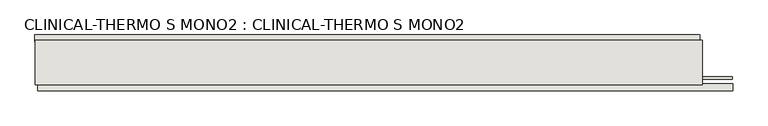
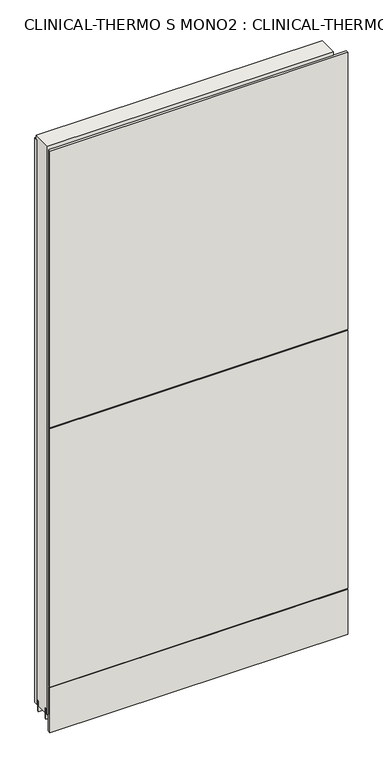
"""IFC4 building model written with IfcOpenShell, lengths in millimetres: wall geometry, CLINICAL-THERMO S MONO2 : CLINICAL-THERMO S MONO2."""

from ifc_helpers import new_model, si_unit, frame, origin, place, context, project, spatial, polyline, outline, extrude, source, transform, mapped, element, save


def clinical_thermo_s_mono2_clinical_thermo_s_mono2_562a6de3(model_context):
    return source(origin(), model_context, "Body", "SweptSolid", [
        extrude(outline(polyline([(84447.358918, -37797.5831042), (84444.818918, -37797.5831042), (84444.818918, -37795.0431042), (84447.358918, -37795.0431042), (84447.358918, -37797.5831042)])), frame((0.0, 0.0, 4419.6), z_axis=(0.0, 0.0, 1.0), x_axis=(1.0, 0.0, 0.0)), (0.0, 0.0, 1.0), 2.54),
        extrude(outline(polyline([(83227.6920914, -37745.5131042), (84442.8920994, -37745.5131042), (84442.8920994, -37758.2131042), (83227.6920914, -37758.2131042), (83227.6920914, -37745.5131042)])), frame((0.0, 0.0, 4445.0), z_axis=(0.0, 0.0, 1.0), x_axis=(1.0, 0.0, 0.0)), (0.0, 0.0, 1.0), 2545.0498756),
        extrude(outline(polyline([(84503.123094, -37847.1131042), (83232.6230188, -37847.1131042), (83232.6230188, -37834.4131042), (84503.123094, -37834.4131042), (84503.123094, -37847.1131042)])), frame((0.0, 0.0, 4573.9999706), z_axis=(0.0, 0.0, 1.0), x_axis=(1.0, 0.0, 0.0)), (0.0, 0.0, 1.0), 1164.400008),
        extrude(outline(polyline([(84503.123094, -37847.1131042), (83232.6230188, -37847.1131042), (83232.6230188, -37834.4131042), (84503.123094, -37834.4131042), (84503.123094, -37847.1131042)])), frame((0.0, 0.0, 5742.399869), z_axis=(0.0, 0.0, 1.0), x_axis=(1.0, 0.0, 0.0)), (0.0, 0.0, 1.0), 1247.649905),
        extrude(outline(polyline([(84503.123094, -37847.1131042), (83232.6230188, -37847.1131042), (83232.6230188, -37834.4131042), (84503.123094, -37834.4131042), (84503.123094, -37847.1131042)])), frame((0.0, 0.0, 4368.1000014), z_axis=(0.0, 0.0, 1.0), x_axis=(1.0, 0.0, 0.0)), (0.0, 0.0, 1.0), 201.9000026),
        extrude(outline(polyline([(84447.353965, -37771.223162), (83228.153965, -37771.223162), (83228.153965, -37766.1413078), (84447.353965, -37766.1413078), (84447.353965, -37771.223162)])), frame((0.0, 0.0, 4418.6602), z_axis=(0.0, 0.0, 1.0), x_axis=(1.0, 0.0, 0.0)), (0.0, 0.0, 1.0), 47.625),
        extrude(outline(polyline([(84447.353965, -37771.223162), (83228.153965, -37771.223162), (83228.153965, -37766.1413078), (84447.353965, -37766.1413078), (84447.353965, -37771.223162)])), frame((0.0, 0.0, 4418.6602), z_axis=(0.0, 0.0, 1.0), x_axis=(1.0, 0.0, 0.0)), (0.0, 0.0, 1.0), 47.625),
        extrude(outline(polyline([(83228.153965, -37821.3875524), (84502.6498158, -37821.3875524), (84502.6498158, -37826.4663078), (83228.153965, -37826.4663078), (83228.153965, -37821.3875524)])), frame((0.0, 0.0, 4418.6602), z_axis=(0.0, 0.0, 1.0), x_axis=(1.0, 0.0, 0.0)), (0.0, 0.0, 1.0), 47.625),
        extrude(outline(polyline([(83228.153965, -37821.3875524), (84502.6498158, -37821.3875524), (84502.6498158, -37826.4663078), (83228.153965, -37826.4663078), (83228.153965, -37821.3875524)])), frame((0.0, 0.0, 4418.6602), z_axis=(0.0, 0.0, 1.0), x_axis=(1.0, 0.0, 0.0)), (0.0, 0.0, 1.0), 47.625),
        extrude(outline(polyline([(84447.353965, -37755.676838), (84447.353965, -37836.9586922), (83228.153965, -37836.9586922), (83228.153965, -37755.676838), (84447.353965, -37755.676838)])), frame((0.0, 0.0, 4445.0), z_axis=(0.0, 0.0, 1.0), x_axis=(1.0, 0.0, 0.0)), (0.0, 0.0, 1.0), 2562.4536762),
    ])


if __name__ == "__main__":
    model = new_model("IFC4")
    model_context = context("Model", 3, world=origin())
    ifc_project = project(units=[si_unit("LENGTHUNIT", "METRE", prefix="MILLI")], contexts=[model_context])
    site = spatial("IfcSite", under=ifc_project)
    building = spatial("IfcBuilding", under=site)
    placement = place(None, origin())
    clinical_thermo_s_mono2_clinical_thermo_s_mono2_shape = clinical_thermo_s_mono2_clinical_thermo_s_mono2_562a6de3(model_context)
    element("IfcWall", 1, ObjectType="CLINICAL-THERMO S MONO2 : CLINICAL-THERMO S MONO2", at=placement, inside=building, context=model_context, shape_type="MappedRepresentation", body=[
        mapped(clinical_thermo_s_mono2_clinical_thermo_s_mono2_shape, transform((0.0, 0.0, 0.0), x_axis=(1.0, 0.0, 0.0), y_axis=(0.0, 1.0, 0.0), z_axis=(0.0, 0.0, 1.0))),
    ])
    save(model, "model.ifc")
